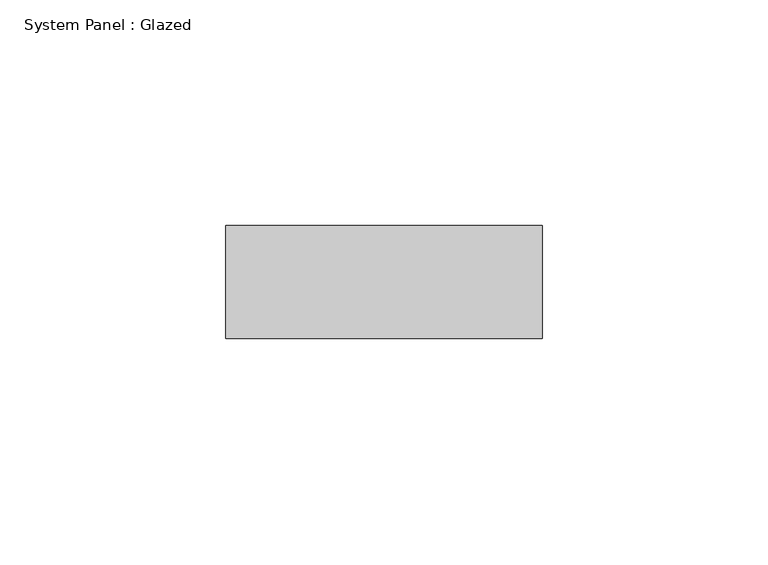
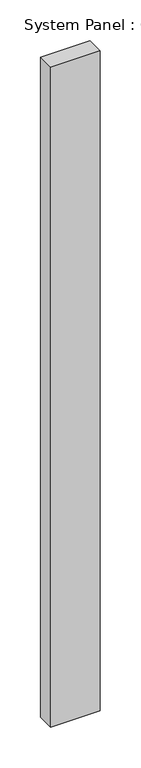
"""IFC4 building model written with IfcOpenShell, lengths in millimetres: plate geometry, System Panel : Glazed."""

from ifc_helpers import new_model, si_unit, origin, origin_with_axes, place, context, project, spatial, polyline, outline, extrude, source, transform, mapped, element, save


def system_panel_glazed_7ae95d6b(model_context):
    return source(origin(), model_context, "Body", "SweptSolid", [
        extrude(outline(polyline([(35.0, 24.5), (-35.0, 24.5), (-35.0, 49.5), (35.0, 49.5), (35.0, 24.5)])), origin_with_axes(), (0.0, 0.0, 1.0), 989.3333333),
    ])


if __name__ == "__main__":
    model = new_model("IFC4")
    model_context = context("Model", 3, world=origin())
    ifc_project = project(units=[si_unit("LENGTHUNIT", "METRE", prefix="MILLI")], contexts=[model_context])
    site = spatial("IfcSite", under=ifc_project)
    building = spatial("IfcBuilding", under=site)
    placement = place(None, origin())
    system_panel_glazed_shape = system_panel_glazed_7ae95d6b(model_context)
    element("IfcPlate", 1, ObjectType="System Panel : Glazed", at=placement, inside=building, context=model_context, shape_type="MappedRepresentation", body=[
        mapped(system_panel_glazed_shape, transform((0.0, 0.0, 0.0), x_axis=(1.0, 0.0, 0.0), y_axis=(0.0, 1.0, 0.0), z_axis=(0.0, 0.0, 1.0))),
    ])
    save(model, "model.ifc")
